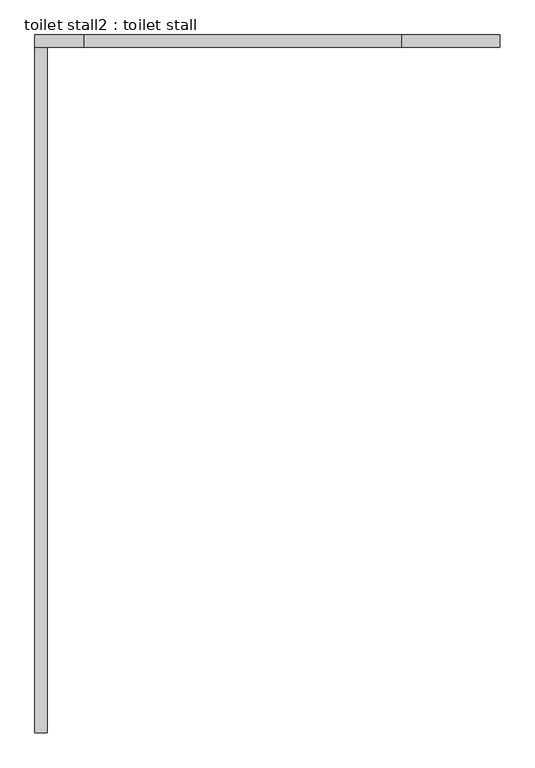
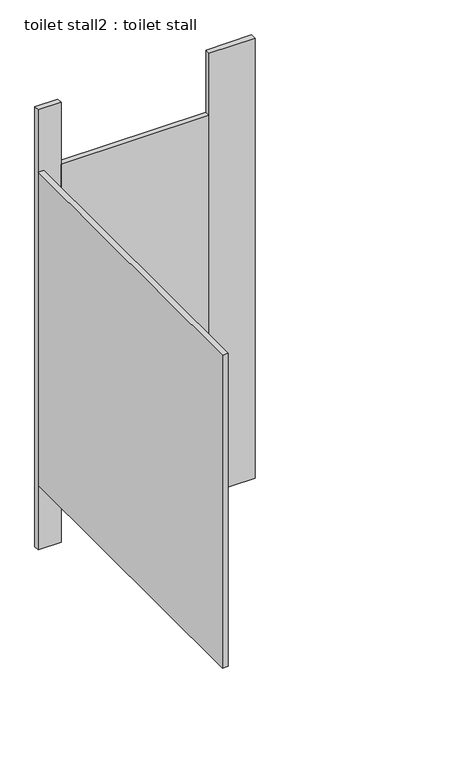
"""IFC4 building model written with IfcOpenShell, lengths in millimetres: proxy geometry, toilet stall2 : toilet stall."""

from ifc_helpers import new_model, si_unit, frame, origin, origin_with_axes, place, context, project, spatial, polyline, outline, extrude, source, transform, mapped, element, save


def toilet_stall2_toilet_stall_95a92685(model_context):
    return source(origin(), model_context, "Body", "SweptSolid", [
        extrude(outline(polyline([(468483.7379676, -367467.8910885), (468483.7379676, -367442.4910885), (468686.9379676, -367442.4910885), (468686.9379676, -367467.8910885), (468483.7379676, -367467.8910885)])), origin_with_axes(), (0.0, 0.0, 1.0), 2070.1),
        extrude(outline(polyline([(467721.7379676, -367467.8910885), (467721.7379676, -367442.4910885), (467823.3379676, -367442.4910885), (467823.3379676, -367467.8910885), (467721.7379676, -367467.8910885)])), origin_with_axes(), (0.0, 0.0, 1.0), 2070.1),
        extrude(outline(polyline([(467721.7379676, -367467.8910885), (467747.1379676, -367467.8910885), (467747.1379676, -368890.2910885), (467721.7379676, -368890.2910885), (467721.7379676, -367467.8910885)])), frame((0.0, 0.0, 304.8), z_axis=(0.0, 0.0, 1.0), x_axis=(1.0, 0.0, 0.0)), (0.0, 0.0, 1.0), 1473.2),
        extrude(outline(polyline([(467823.3379676, -367467.8910885), (467823.3379676, -367442.4910885), (468483.7379676, -367442.4910885), (468483.7379676, -367467.8910885), (467823.3379676, -367467.8910885)])), frame((0.0, 0.0, 304.8), z_axis=(0.0, 0.0, 1.0), x_axis=(1.0, 0.0, 0.0)), (0.0, 0.0, 1.0), 1473.2),
    ])


if __name__ == "__main__":
    model = new_model("IFC4")
    model_context = context("Model", 3, world=origin())
    ifc_project = project(units=[si_unit("LENGTHUNIT", "METRE", prefix="MILLI")], contexts=[model_context])
    site = spatial("IfcSite", under=ifc_project)
    building = spatial("IfcBuilding", under=site)
    placement = place(None, origin())
    toilet_stall2_toilet_stall_shape = toilet_stall2_toilet_stall_95a92685(model_context)
    element("IfcBuildingElementProxy", 1, Name="toilet stall2 : toilet stall", ObjectType="toilet stall2 : toilet stall", at=placement, inside=building, context=model_context, shape_type="MappedRepresentation", body=[
        mapped(toilet_stall2_toilet_stall_shape, transform((0.0, 0.0, 0.0), x_axis=(1.0, 0.0, 0.0), y_axis=(0.0, 1.0, 0.0), z_axis=(0.0, 0.0, 1.0))),
    ])
    save(model, "model.ifc")
